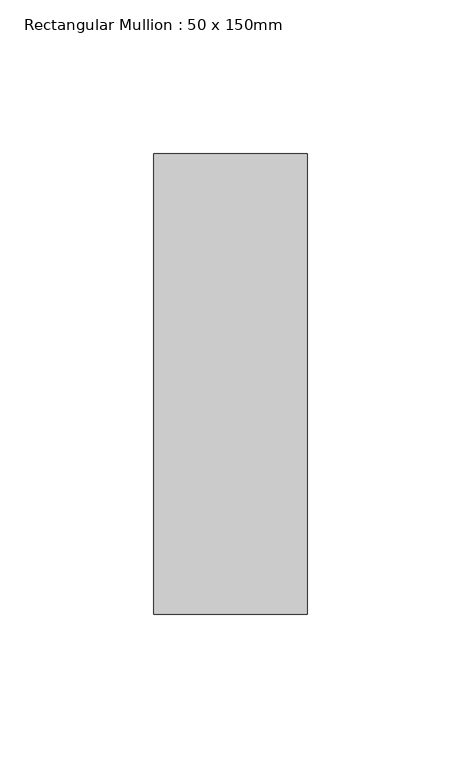
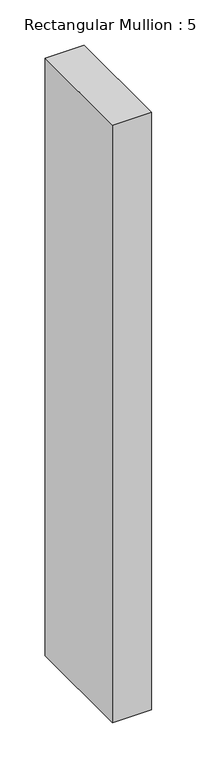
"""IFC4 building model written with IfcOpenShell, lengths in millimetres: member geometry, Rectangular Mullion : 50 x 150mm."""

from ifc_helpers import new_model, si_unit, frame, origin, place, context, project, spatial, polyline, outline, extrude, source, transform, mapped, element, save


def rectangular_mullion_50_x_150mm_aeaa6ceb(model_context):
    return source(origin(), model_context, "Body", "SweptSolid", [
        extrude(outline(polyline([(0.0, 75.0), (0.0, -75.0), (-50.0, -75.0), (-50.0, 75.0), (0.0, 75.0)])), frame((0.0, 0.0, -808.3333333), z_axis=(0.0, 0.0, 1.0), x_axis=(1.0, 0.0, 0.0)), (0.0, 0.0, 1.0), 808.3333333),
    ])


if __name__ == "__main__":
    model = new_model("IFC4")
    model_context = context("Model", 3, world=origin())
    ifc_project = project(units=[si_unit("LENGTHUNIT", "METRE", prefix="MILLI")], contexts=[model_context])
    site = spatial("IfcSite", under=ifc_project)
    building = spatial("IfcBuilding", under=site)
    placement = place(None, origin())
    rectangular_mullion_50_x_150mm_shape = rectangular_mullion_50_x_150mm_aeaa6ceb(model_context)
    element("IfcMember", 1, ObjectType="Rectangular Mullion : 50 x 150mm", at=placement, inside=building, context=model_context, shape_type="MappedRepresentation", body=[
        mapped(rectangular_mullion_50_x_150mm_shape, transform((0.0, 0.0, 0.0), x_axis=(1.0, 0.0, 0.0), y_axis=(0.0, 1.0, 0.0), z_axis=(0.0, 0.0, 1.0))),
    ])
    save(model, "model.ifc")
